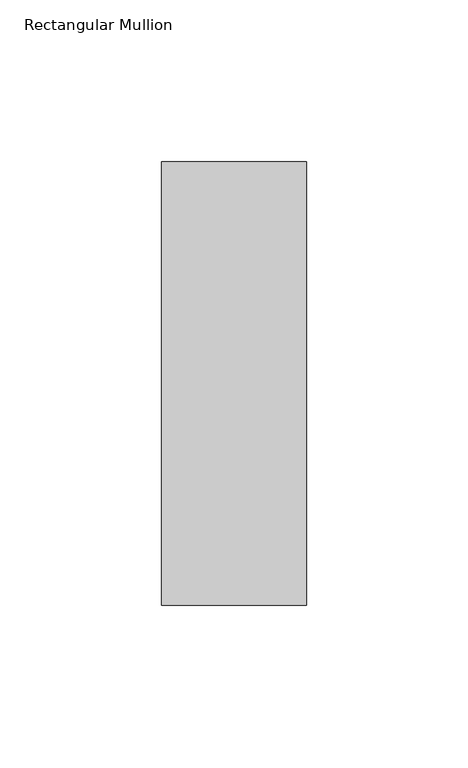
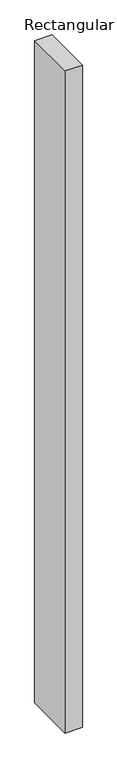
"""IFC4 building model written with IfcOpenShell, lengths in millimetres: member geometry, Rectangular Mullion."""

from ifc_helpers import new_model, si_unit, frame, origin, place, context, project, spatial, polyline, outline, extrude, source, transform, mapped, element, save


def rectangular_mullion_aba335ff(model_context):
    return source(origin(), model_context, "Body", "SweptSolid", [
        extrude(outline(polyline([(22.5, 84.19375), (22.5, -53.19375), (-22.5, -53.19375), (-22.5, 84.19375), (22.5, 84.19375)])), frame((0.0, 0.0, -1828.8), z_axis=(0.0, 0.0, 1.0), x_axis=(1.0, 0.0, 0.0)), (0.0, 0.0, 1.0), 1828.8),
    ])


if __name__ == "__main__":
    model = new_model("IFC4")
    model_context = context("Model", 3, world=origin())
    ifc_project = project(units=[si_unit("LENGTHUNIT", "METRE", prefix="MILLI")], contexts=[model_context])
    site = spatial("IfcSite", under=ifc_project)
    building = spatial("IfcBuilding", under=site)
    placement = place(None, origin())
    rectangular_mullion_shape = rectangular_mullion_aba335ff(model_context)
    element("IfcMember", 1, ObjectType="Rectangular Mullion", at=placement, inside=building, context=model_context, shape_type="MappedRepresentation", body=[
        mapped(rectangular_mullion_shape, transform((0.0, 0.0, 0.0), x_axis=(1.0, 0.0, 0.0), y_axis=(0.0, 1.0, 0.0), z_axis=(0.0, 0.0, 1.0))),
    ])
    save(model, "model.ifc")
